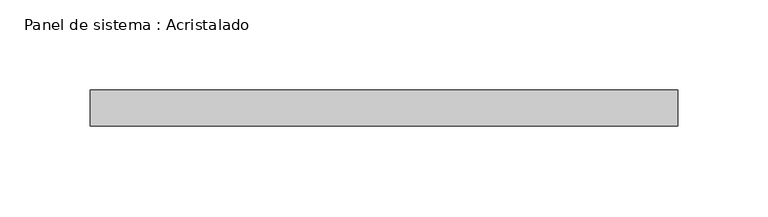
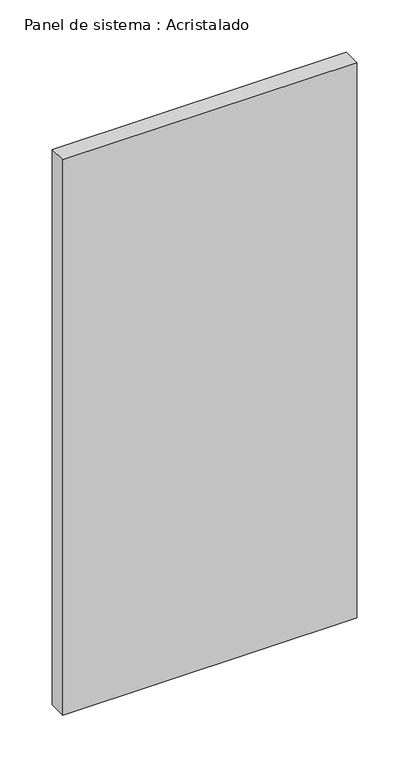
"""IFC4 building model written with IfcOpenShell, lengths in millimetres: plate geometry, Panel de sistema : Acristalado."""

from ifc_helpers import new_model, si_unit, origin, origin_with_axes, place, context, project, spatial, polyline, outline, extrude, source, transform, mapped, element, save


def panel_de_sistema_acristalado_55344f52(model_context):
    return source(origin(), model_context, "Body", "SweptSolid", [
        extrude(outline(polyline([(162.5, -10.0), (-162.5, -10.0), (-162.5, 10.0), (162.5, 10.0), (162.5, -10.0)])), origin_with_axes(), (0.0, 0.0, 1.0), 650.0),
    ])


if __name__ == "__main__":
    model = new_model("IFC4")
    model_context = context("Model", 3, world=origin())
    ifc_project = project(units=[si_unit("LENGTHUNIT", "METRE", prefix="MILLI")], contexts=[model_context])
    site = spatial("IfcSite", under=ifc_project)
    building = spatial("IfcBuilding", under=site)
    placement = place(None, origin())
    panel_de_sistema_acristalado_shape = panel_de_sistema_acristalado_55344f52(model_context)
    element("IfcPlate", 1, ObjectType="Panel de sistema : Acristalado", at=placement, inside=building, context=model_context, shape_type="MappedRepresentation", body=[
        mapped(panel_de_sistema_acristalado_shape, transform((0.0, 0.0, 0.0), x_axis=(1.0, 0.0, 0.0), y_axis=(0.0, 1.0, 0.0), z_axis=(0.0, 0.0, 1.0))),
    ])
    save(model, "model.ifc")
